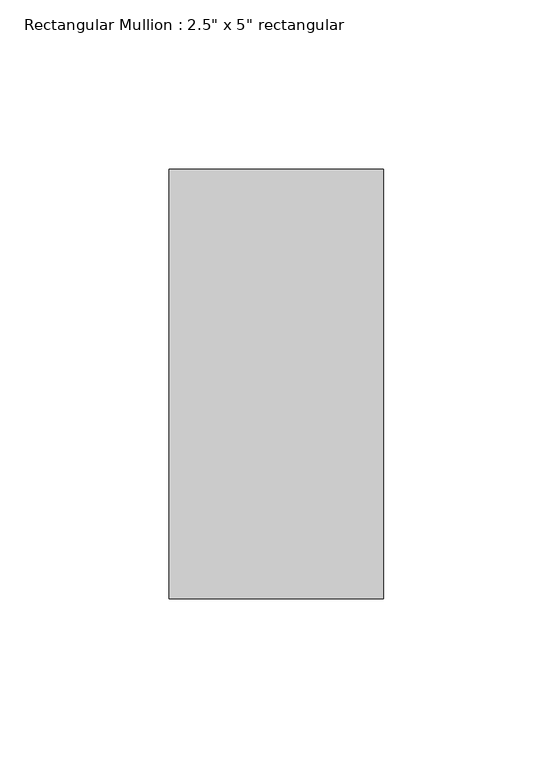
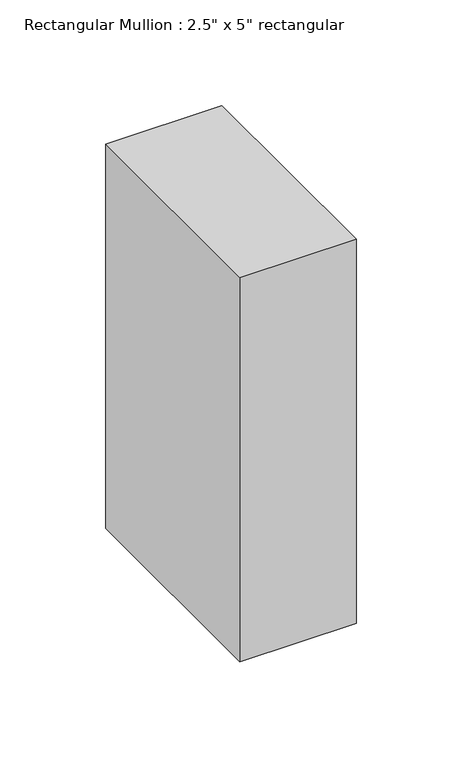
"""IFC4 building model written with IfcOpenShell, lengths in millimetres: member geometry."""

from ifc_helpers import new_model, si_unit, frame, origin, place, context, project, spatial, polyline, outline, extrude, source, transform, mapped, element, save


def member_a4576354(model_context):
    return source(origin(), model_context, "Body", "SweptSolid", [
        extrude(outline(polyline([(31.75, 63.5), (31.75, -63.5), (-31.75, -63.5), (-31.75, 63.5), (31.75, 63.5)])), frame((0.0, 0.0, -222.25), z_axis=(0.0, 0.0, 1.0), x_axis=(1.0, 0.0, 0.0)), (0.0, 0.0, 1.0), 222.25),
    ])


if __name__ == "__main__":
    model = new_model("IFC4")
    model_context = context("Model", 3, world=origin())
    ifc_project = project(units=[si_unit("LENGTHUNIT", "METRE", prefix="MILLI")], contexts=[model_context])
    site = spatial("IfcSite", under=ifc_project)
    building = spatial("IfcBuilding", under=site)
    placement = place(None, origin())
    member_shape = member_a4576354(model_context)
    element("IfcMember", 1, ObjectType="Rectangular Mullion : 2.5\" x 5\" rectangular", at=placement, inside=building, context=model_context, shape_type="MappedRepresentation", body=[
        mapped(member_shape, transform((0.0, 0.0, 0.0), x_axis=(1.0, 0.0, 0.0), y_axis=(0.0, 1.0, 0.0), z_axis=(0.0, 0.0, 1.0))),
    ])
    save(model, "model.ifc")
